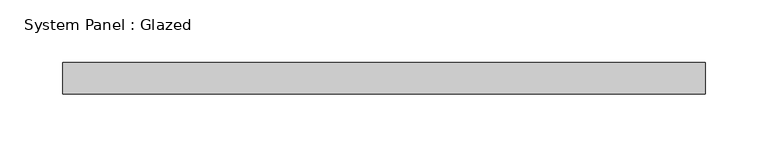
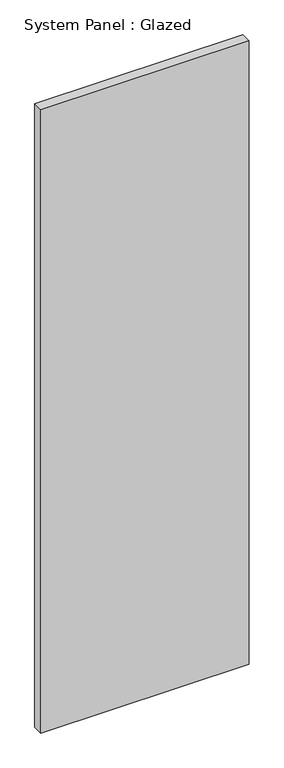
"""IFC4 building model written with IfcOpenShell, lengths in millimetres: plate geometry, System Panel : Glazed."""

from ifc_helpers import new_model, si_unit, origin, origin_with_axes, place, context, project, spatial, polyline, outline, extrude, source, transform, mapped, element, save


def system_panel_glazed_59c6aaa2(model_context):
    return source(origin(), model_context, "Body", "SweptSolid", [
        extrude(outline(polyline([(257.175, -12.7), (-257.175, -12.7), (-257.175, 12.7), (257.175, 12.7), (257.175, -12.7)])), origin_with_axes(), (0.0, 0.0, 1.0), 1625.6),
    ])


if __name__ == "__main__":
    model = new_model("IFC4")
    model_context = context("Model", 3, world=origin())
    ifc_project = project(units=[si_unit("LENGTHUNIT", "METRE", prefix="MILLI")], contexts=[model_context])
    site = spatial("IfcSite", under=ifc_project)
    building = spatial("IfcBuilding", under=site)
    placement = place(None, origin())
    system_panel_glazed_shape = system_panel_glazed_59c6aaa2(model_context)
    element("IfcPlate", 1, ObjectType="System Panel : Glazed", at=placement, inside=building, context=model_context, shape_type="MappedRepresentation", body=[
        mapped(system_panel_glazed_shape, transform((0.0, 0.0, 0.0), x_axis=(1.0, 0.0, 0.0), y_axis=(0.0, 1.0, 0.0), z_axis=(0.0, 0.0, 1.0))),
    ])
    save(model, "model.ifc")
